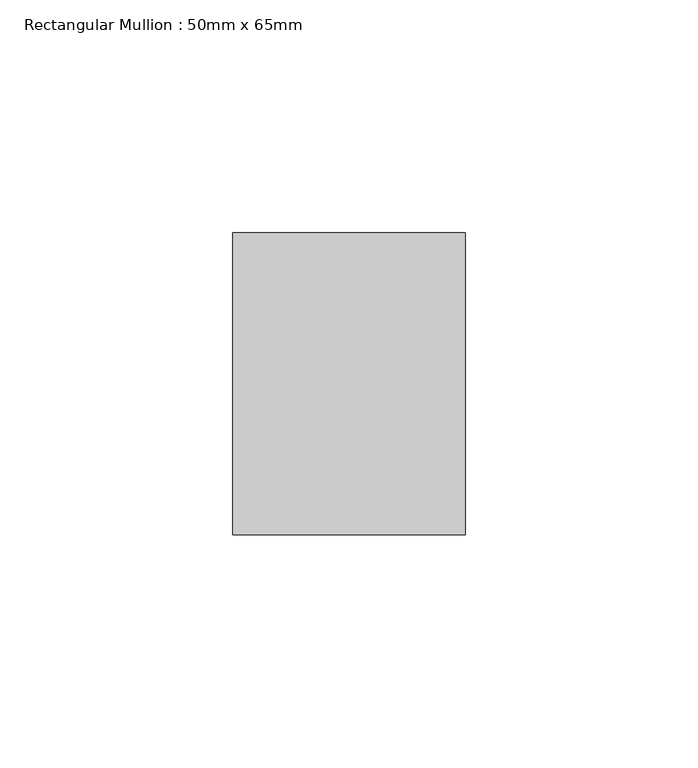
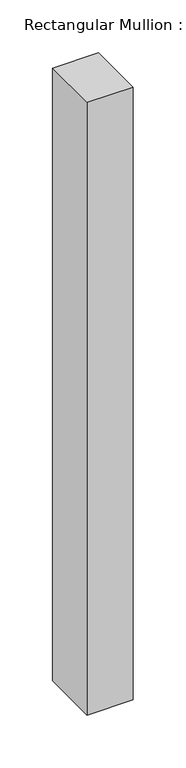
"""IFC4 building model written with IfcOpenShell, lengths in millimetres: member geometry, Rectangular Mullion : 50mm x 65mm."""

from ifc_helpers import new_model, si_unit, frame, origin, place, context, project, spatial, polyline, outline, extrude, source, transform, mapped, element, save


def rectangular_mullion_50mm_x_65mm_b4964201(model_context):
    return source(origin(), model_context, "Body", "SweptSolid", [
        extrude(outline(polyline([(25.0, 32.5), (25.0, -32.5), (-25.0, -32.5), (-25.0, 32.5), (25.0, 32.5)])), frame((0.0, 0.0, -705.7732075), z_axis=(0.0, 0.0, 1.0), x_axis=(1.0, 0.0, 0.0)), (0.0, 0.0, 1.0), 705.7732075),
    ])


if __name__ == "__main__":
    model = new_model("IFC4")
    model_context = context("Model", 3, world=origin())
    ifc_project = project(units=[si_unit("LENGTHUNIT", "METRE", prefix="MILLI")], contexts=[model_context])
    site = spatial("IfcSite", under=ifc_project)
    building = spatial("IfcBuilding", under=site)
    placement = place(None, origin())
    rectangular_mullion_50mm_x_65mm_shape = rectangular_mullion_50mm_x_65mm_b4964201(model_context)
    element("IfcMember", 1, ObjectType="Rectangular Mullion : 50mm x 65mm", at=placement, inside=building, context=model_context, shape_type="MappedRepresentation", body=[
        mapped(rectangular_mullion_50mm_x_65mm_shape, transform((0.0, 0.0, 0.0), x_axis=(1.0, 0.0, 0.0), y_axis=(0.0, 1.0, 0.0), z_axis=(0.0, 0.0, 1.0))),
    ])
    save(model, "model.ifc")
